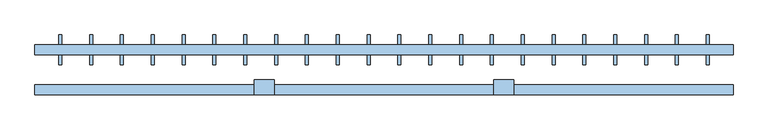
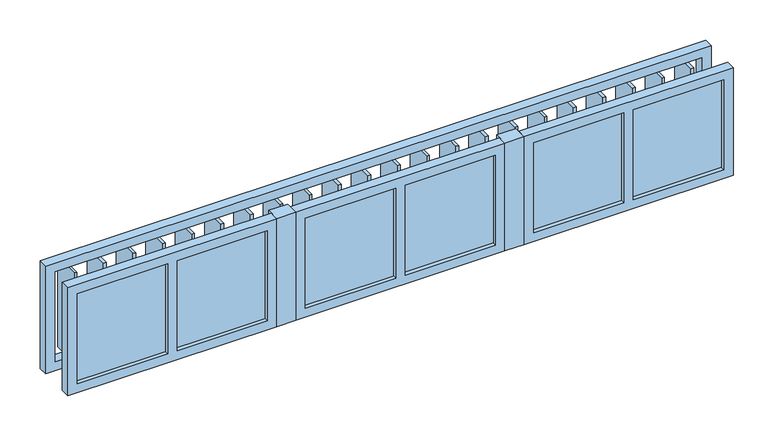
"""IFC4 building model written with IfcOpenShell, lengths in millimetres: window geometry."""

from ifc_helpers import new_model, si_unit, frame, origin, place, context, project, spatial, polyline, outline, extrude, source, transform, mapped, element, save


def window_aa5659b6(model_context):
    return source(origin(), model_context, "Body", "SweptSolid", [
        extrude(outline(polyline([(1630.2272727, 174.65), (1630.2272727, 25.35), (1615.2272727, 25.35), (1615.2272727, 174.65), (1630.2272727, 174.65)])), frame((0.0, 0.0, 850.0), z_axis=(0.0, 0.0, 1.0), x_axis=(1.0, 0.0, 0.0)), (0.0, 0.0, 1.0), 500.0),
        extrude(outline(polyline([(1475.6818182, 174.65), (1475.6818182, 25.35), (1460.6818182, 25.35), (1460.6818182, 174.65), (1475.6818182, 174.65)])), frame((0.0, 0.0, 850.0), z_axis=(0.0, 0.0, 1.0), x_axis=(1.0, 0.0, 0.0)), (0.0, 0.0, 1.0), 500.0),
        extrude(outline(polyline([(1321.1363636, 174.65), (1321.1363636, 25.35), (1306.1363636, 25.35), (1306.1363636, 174.65), (1321.1363636, 174.65)])), frame((0.0, 0.0, 850.0), z_axis=(0.0, 0.0, 1.0), x_axis=(1.0, 0.0, 0.0)), (0.0, 0.0, 1.0), 500.0),
        extrude(outline(polyline([(1166.5909091, 174.65), (1166.5909091, 25.35), (1151.5909091, 25.35), (1151.5909091, 174.65), (1166.5909091, 174.65)])), frame((0.0, 0.0, 850.0), z_axis=(0.0, 0.0, 1.0), x_axis=(1.0, 0.0, 0.0)), (0.0, 0.0, 1.0), 500.0),
        extrude(outline(polyline([(1012.0454545, 174.65), (1012.0454545, 25.35), (997.0454545, 25.35), (997.0454545, 174.65), (1012.0454545, 174.65)])), frame((0.0, 0.0, 850.0), z_axis=(0.0, 0.0, 1.0), x_axis=(1.0, 0.0, 0.0)), (0.0, 0.0, 1.0), 500.0),
        extrude(outline(polyline([(857.5, 174.65), (857.5, 25.35), (842.5, 25.35), (842.5, 174.65), (857.5, 174.65)])), frame((0.0, 0.0, 850.0), z_axis=(0.0, 0.0, 1.0), x_axis=(1.0, 0.0, 0.0)), (0.0, 0.0, 1.0), 500.0),
        extrude(outline(polyline([(702.9545455, 174.65), (702.9545455, 25.35), (687.9545455, 25.35), (687.9545455, 174.65), (702.9545455, 174.65)])), frame((0.0, 0.0, 850.0), z_axis=(0.0, 0.0, 1.0), x_axis=(1.0, 0.0, 0.0)), (0.0, 0.0, 1.0), 500.0),
        extrude(outline(polyline([(548.4090909, 174.65), (548.4090909, 25.35), (533.4090909, 25.35), (533.4090909, 174.65), (548.4090909, 174.65)])), frame((0.0, 0.0, 850.0), z_axis=(0.0, 0.0, 1.0), x_axis=(1.0, 0.0, 0.0)), (0.0, 0.0, 1.0), 500.0),
        extrude(outline(polyline([(393.8636364, 174.65), (393.8636364, 25.35), (378.8636364, 25.35), (378.8636364, 174.65), (393.8636364, 174.65)])), frame((0.0, 0.0, 850.0), z_axis=(0.0, 0.0, 1.0), x_axis=(1.0, 0.0, 0.0)), (0.0, 0.0, 1.0), 500.0),
        extrude(outline(polyline([(239.3181818, 174.65), (239.3181818, 25.35), (224.3181818, 25.35), (224.3181818, 174.65), (239.3181818, 174.65)])), frame((0.0, 0.0, 850.0), z_axis=(0.0, 0.0, 1.0), x_axis=(1.0, 0.0, 0.0)), (0.0, 0.0, 1.0), 500.0),
        extrude(outline(polyline([(84.7727273, 174.65), (84.7727273, 25.35), (69.7727273, 25.35), (69.7727273, 174.65), (84.7727273, 174.65)])), frame((0.0, 0.0, 850.0), z_axis=(0.0, 0.0, 1.0), x_axis=(1.0, 0.0, 0.0)), (0.0, 0.0, 1.0), 500.0),
        extrude(outline(polyline([(-69.7727273, 174.65), (-69.7727273, 25.35), (-84.7727273, 25.35), (-84.7727273, 174.65), (-69.7727273, 174.65)])), frame((0.0, 0.0, 850.0), z_axis=(0.0, 0.0, 1.0), x_axis=(1.0, 0.0, 0.0)), (0.0, 0.0, 1.0), 500.0),
        extrude(outline(polyline([(-224.3181818, 174.65), (-224.3181818, 25.35), (-239.3181818, 25.35), (-239.3181818, 174.65), (-224.3181818, 174.65)])), frame((0.0, 0.0, 850.0), z_axis=(0.0, 0.0, 1.0), x_axis=(1.0, 0.0, 0.0)), (0.0, 0.0, 1.0), 500.0),
        extrude(outline(polyline([(-378.8636364, 174.65), (-378.8636364, 25.35), (-393.8636364, 25.35), (-393.8636364, 174.65), (-378.8636364, 174.65)])), frame((0.0, 0.0, 850.0), z_axis=(0.0, 0.0, 1.0), x_axis=(1.0, 0.0, 0.0)), (0.0, 0.0, 1.0), 500.0),
        extrude(outline(polyline([(-533.4090909, 174.65), (-533.4090909, 25.35), (-548.4090909, 25.35), (-548.4090909, 174.65), (-533.4090909, 174.65)])), frame((0.0, 0.0, 850.0), z_axis=(0.0, 0.0, 1.0), x_axis=(1.0, 0.0, 0.0)), (0.0, 0.0, 1.0), 500.0),
        extrude(outline(polyline([(-687.9545455, 174.65), (-687.9545455, 25.35), (-702.9545455, 25.35), (-702.9545455, 174.65), (-687.9545455, 174.65)])), frame((0.0, 0.0, 850.0), z_axis=(0.0, 0.0, 1.0), x_axis=(1.0, 0.0, 0.0)), (0.0, 0.0, 1.0), 500.0),
        extrude(outline(polyline([(-842.5, 174.65), (-842.5, 25.35), (-857.5, 25.35), (-857.5, 174.65), (-842.5, 174.65)])), frame((0.0, 0.0, 850.0), z_axis=(0.0, 0.0, 1.0), x_axis=(1.0, 0.0, 0.0)), (0.0, 0.0, 1.0), 500.0),
        extrude(outline(polyline([(-997.0454545, 174.65), (-997.0454545, 25.35), (-1012.0454545, 25.35), (-1012.0454545, 174.65), (-997.0454545, 174.65)])), frame((0.0, 0.0, 850.0), z_axis=(0.0, 0.0, 1.0), x_axis=(1.0, 0.0, 0.0)), (0.0, 0.0, 1.0), 500.0),
        extrude(outline(polyline([(-1151.5909091, 174.65), (-1151.5909091, 25.35), (-1166.5909091, 25.35), (-1166.5909091, 174.65), (-1151.5909091, 174.65)])), frame((0.0, 0.0, 850.0), z_axis=(0.0, 0.0, 1.0), x_axis=(1.0, 0.0, 0.0)), (0.0, 0.0, 1.0), 500.0),
        extrude(outline(polyline([(-1306.1363636, 174.65), (-1306.1363636, 25.35), (-1321.1363636, 25.35), (-1321.1363636, 174.65), (-1306.1363636, 174.65)])), frame((0.0, 0.0, 850.0), z_axis=(0.0, 0.0, 1.0), x_axis=(1.0, 0.0, 0.0)), (0.0, 0.0, 1.0), 500.0),
        extrude(outline(polyline([(-1460.6818182, 174.65), (-1460.6818182, 25.35), (-1475.6818182, 25.35), (-1475.6818182, 174.65), (-1460.6818182, 174.65)])), frame((0.0, 0.0, 850.0), z_axis=(0.0, 0.0, 1.0), x_axis=(1.0, 0.0, 0.0)), (0.0, 0.0, 1.0), 500.0),
        extrude(outline(polyline([(-1615.2272727, 174.65), (-1615.2272727, 25.35), (-1630.2272727, 25.35), (-1630.2272727, 174.65), (-1615.2272727, 174.65)])), frame((0.0, 0.0, 850.0), z_axis=(0.0, 0.0, 1.0), x_axis=(1.0, 0.0, 0.0)), (0.0, 0.0, 1.0), 500.0),
        extrude(outline(polyline([(1400.0, 1750.0), (1400.0, -1750.0), (800.0, -1750.0), (800.0, 1750.0), (1400.0, 1750.0)]), holes=[polyline([(1350.0, 1700.0), (850.0, 1700.0), (850.0, -1700.0), (1350.0, -1700.0), (1350.0, 1700.0)])]), frame((0.0, 75.0, 0.0), z_axis=(0.0, 1.0, 0.0), x_axis=(0.0, 0.0, 1.0)), (0.0, 0.0, 1.0), 50.0),
        extrude(outline(polyline([(650.0, -125.0), (550.0, -125.0), (550.0, -50.0), (650.0, -50.0), (650.0, -125.0)])), frame((0.0, 0.0, 800.0), z_axis=(0.0, 0.0, 1.0), x_axis=(1.0, 0.0, 0.0)), (0.0, 0.0, 1.0), 600.0),
        extrude(outline(polyline([(-550.0, -125.0), (-650.0, -125.0), (-650.0, -50.0), (-550.0, -50.0), (-550.0, -125.0)])), frame((0.0, 0.0, 800.0), z_axis=(0.0, 0.0, 1.0), x_axis=(1.0, 0.0, 0.0)), (0.0, 0.0, 1.0), 600.0),
        extrude(outline(polyline([(1175.0, -105.0), (700.0, -105.0), (700.0, -95.0), (1175.0, -95.0), (1175.0, -105.0)])), frame((0.0, 0.0, 850.0), z_axis=(0.0, 0.0, 1.0), x_axis=(1.0, 0.0, 0.0)), (0.0, 0.0, 1.0), 500.0),
        extrude(outline(polyline([(1700.0, -105.0), (1225.0, -105.0), (1225.0, -95.0), (1700.0, -95.0), (1700.0, -105.0)])), frame((0.0, 0.0, 850.0), z_axis=(0.0, 0.0, 1.0), x_axis=(1.0, 0.0, 0.0)), (0.0, 0.0, 1.0), 500.0),
        extrude(outline(polyline([(1400.0, 1750.0), (1400.0, 650.0), (800.0, 650.0), (800.0, 1750.0), (1400.0, 1750.0)]), holes=[polyline([(1350.0, 1700.0), (850.0, 1700.0), (850.0, 1225.0), (1350.0, 1225.0), (1350.0, 1700.0)]), polyline([(850.0, 1175.0), (850.0, 700.0), (1350.0, 700.0), (1350.0, 1175.0), (850.0, 1175.0)])]), frame((0.0, -125.0, 0.0), z_axis=(0.0, 1.0, 0.0), x_axis=(0.0, 0.0, 1.0)), (0.0, 0.0, 1.0), 50.0),
        extrude(outline(polyline([(-25.0, -105.0), (-500.0, -105.0), (-500.0, -95.0), (-25.0, -95.0), (-25.0, -105.0)])), frame((0.0, 0.0, 850.0), z_axis=(0.0, 0.0, 1.0), x_axis=(1.0, 0.0, 0.0)), (0.0, 0.0, 1.0), 500.0),
        extrude(outline(polyline([(500.0, -105.0), (25.0, -105.0), (25.0, -95.0), (500.0, -95.0), (500.0, -105.0)])), frame((0.0, 0.0, 850.0), z_axis=(0.0, 0.0, 1.0), x_axis=(1.0, 0.0, 0.0)), (0.0, 0.0, 1.0), 500.0),
        extrude(outline(polyline([(1400.0, 550.0), (1400.0, -550.0), (800.0, -550.0), (800.0, 550.0), (1400.0, 550.0)]), holes=[polyline([(1350.0, 500.0), (850.0, 500.0), (850.0, 25.0), (1350.0, 25.0), (1350.0, 500.0)]), polyline([(850.0, -25.0), (850.0, -500.0), (1350.0, -500.0), (1350.0, -25.0), (850.0, -25.0)])]), frame((0.0, -125.0, 0.0), z_axis=(0.0, 1.0, 0.0), x_axis=(0.0, 0.0, 1.0)), (0.0, 0.0, 1.0), 50.0),
        extrude(outline(polyline([(-1225.0, -105.0), (-1700.0, -105.0), (-1700.0, -95.0), (-1225.0, -95.0), (-1225.0, -105.0)])), frame((0.0, 0.0, 850.0), z_axis=(0.0, 0.0, 1.0), x_axis=(1.0, 0.0, 0.0)), (0.0, 0.0, 1.0), 500.0),
        extrude(outline(polyline([(-700.0, -105.0), (-1175.0, -105.0), (-1175.0, -95.0), (-700.0, -95.0), (-700.0, -105.0)])), frame((0.0, 0.0, 850.0), z_axis=(0.0, 0.0, 1.0), x_axis=(1.0, 0.0, 0.0)), (0.0, 0.0, 1.0), 500.0),
        extrude(outline(polyline([(1400.0, -650.0), (1400.0, -1750.0), (800.0, -1750.0), (800.0, -650.0), (1400.0, -650.0)]), holes=[polyline([(1350.0, -700.0), (850.0, -700.0), (850.0, -1175.0), (1350.0, -1175.0), (1350.0, -700.0)]), polyline([(850.0, -1225.0), (850.0, -1700.0), (1350.0, -1700.0), (1350.0, -1225.0), (850.0, -1225.0)])]), frame((0.0, -125.0, 0.0), z_axis=(0.0, 1.0, 0.0), x_axis=(0.0, 0.0, 1.0)), (0.0, 0.0, 1.0), 50.0),
    ])


if __name__ == "__main__":
    model = new_model("IFC4")
    model_context = context("Model", 3, world=origin())
    ifc_project = project(units=[si_unit("LENGTHUNIT", "METRE", prefix="MILLI")], contexts=[model_context])
    site = spatial("IfcSite", under=ifc_project)
    building = spatial("IfcBuilding", under=site)
    placement = place(None, origin())
    window_shape = window_aa5659b6(model_context)
    element("IfcWindow", 1, at=placement, inside=building, context=model_context, shape_type="MappedRepresentation", body=[
        mapped(window_shape, transform((0.0, 0.0, 0.0), x_axis=(1.0, 0.0, 0.0), y_axis=(0.0, 1.0, 0.0), z_axis=(0.0, 0.0, 1.0))),
    ])
    save(model, "model.ifc")
